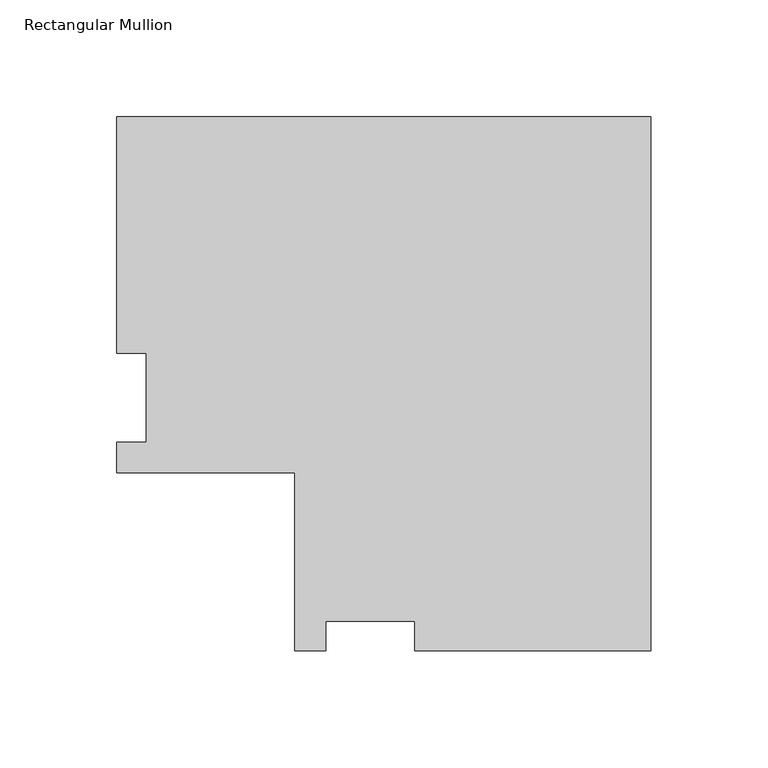
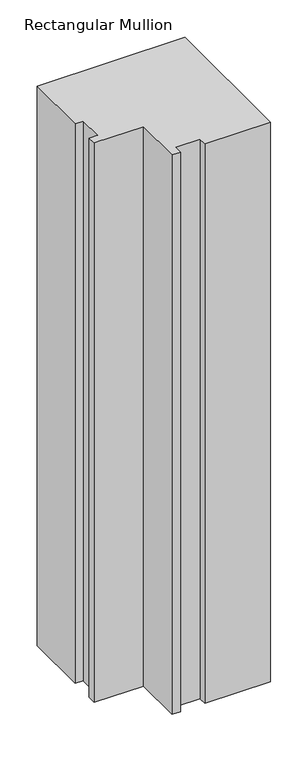
"""IFC4 building model written with IfcOpenShell, lengths in millimetres: member geometry, Rectangular Mullion."""

from ifc_helpers import new_model, si_unit, frame, origin, place, context, project, spatial, polyline, outline, extrude, source, transform, mapped, element, save


def rectangular_mullion_b4b18238(model_context):
    return source(origin(), model_context, "Body", "SweptSolid", [
        extrude(outline(polyline([(0.0, -76.1865063), (-101.1936, -76.1865063), (-101.1936, -63.4865063), (-139.2936, -63.4865063), (-139.2936, -76.1865063), (-152.4762, -76.1865063), (-152.4762, 0.0134937), (-228.6762, 0.0134937), (-228.6762, 13.1960937), (-215.9762, 13.1960937), (-215.9762, 51.2960938), (-228.6762, 51.2960938), (-228.6762, 152.4896938), (0.0, 152.4896938), (0.0, -76.1865063)])), frame((0.0, 0.0, -914.4), z_axis=(0.0, 0.0, 1.0), x_axis=(1.0, 0.0, 0.0)), (0.0, 0.0, 1.0), 914.4),
    ])


if __name__ == "__main__":
    model = new_model("IFC4")
    model_context = context("Model", 3, world=origin())
    ifc_project = project(units=[si_unit("LENGTHUNIT", "METRE", prefix="MILLI")], contexts=[model_context])
    site = spatial("IfcSite", under=ifc_project)
    building = spatial("IfcBuilding", under=site)
    placement = place(None, origin())
    rectangular_mullion_shape = rectangular_mullion_b4b18238(model_context)
    element("IfcMember", 1, ObjectType="Rectangular Mullion", at=placement, inside=building, context=model_context, shape_type="MappedRepresentation", body=[
        mapped(rectangular_mullion_shape, transform((0.0, 0.0, 0.0), x_axis=(1.0, 0.0, 0.0), y_axis=(0.0, 1.0, 0.0), z_axis=(0.0, 0.0, 1.0))),
    ])
    save(model, "model.ifc")
